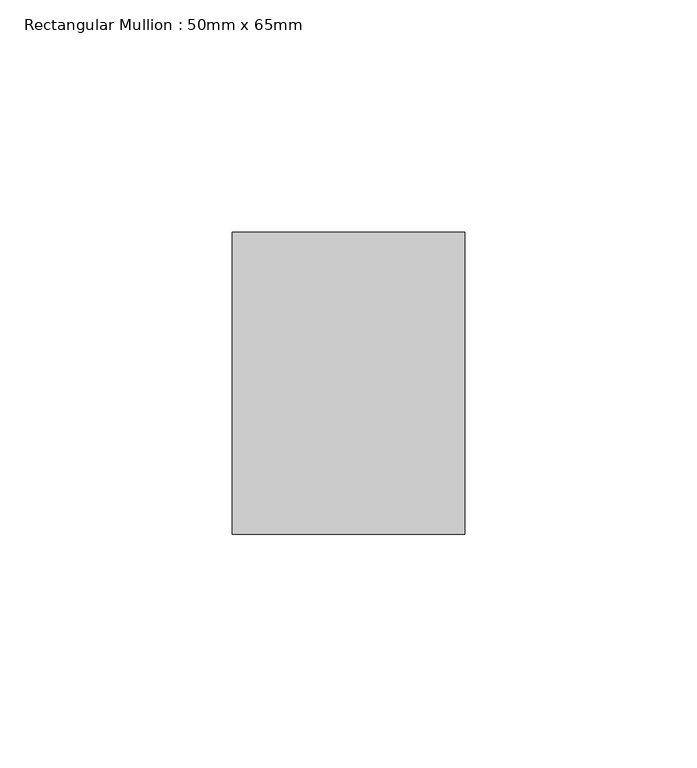
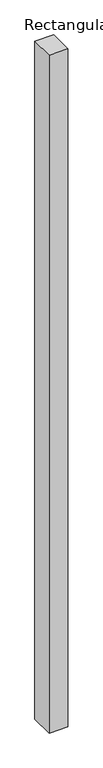
"""IFC4 building model written with IfcOpenShell, lengths in millimetres: member geometry, Rectangular Mullion : 50mm x 65mm."""

from ifc_helpers import new_model, si_unit, frame, origin, place, context, project, spatial, polyline, outline, extrude, source, transform, mapped, element, save


def rectangular_mullion_50mm_x_65mm_014c5a43(model_context):
    return source(origin(), model_context, "Body", "SweptSolid", [
        extrude(outline(polyline([(25.0, 32.5), (25.0, -32.5), (-25.0, -32.5), (-25.0, 32.5), (25.0, 32.5)])), frame((0.0, 0.0, -1897.7012419), z_axis=(0.0, 0.0, 1.0), x_axis=(1.0, 0.0, 0.0)), (0.0, 0.0, 1.0), 1897.7012419),
    ])


if __name__ == "__main__":
    model = new_model("IFC4")
    model_context = context("Model", 3, world=origin())
    ifc_project = project(units=[si_unit("LENGTHUNIT", "METRE", prefix="MILLI")], contexts=[model_context])
    site = spatial("IfcSite", under=ifc_project)
    building = spatial("IfcBuilding", under=site)
    placement = place(None, origin())
    rectangular_mullion_50mm_x_65mm_shape = rectangular_mullion_50mm_x_65mm_014c5a43(model_context)
    element("IfcMember", 1, ObjectType="Rectangular Mullion : 50mm x 65mm", at=placement, inside=building, context=model_context, shape_type="MappedRepresentation", body=[
        mapped(rectangular_mullion_50mm_x_65mm_shape, transform((0.0, 0.0, 0.0), x_axis=(1.0, 0.0, 0.0), y_axis=(0.0, 1.0, 0.0), z_axis=(0.0, 0.0, 1.0))),
    ])
    save(model, "model.ifc")
